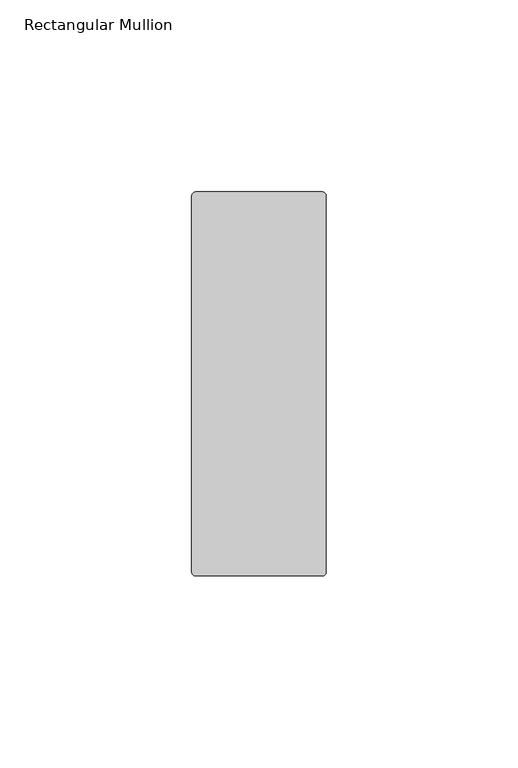
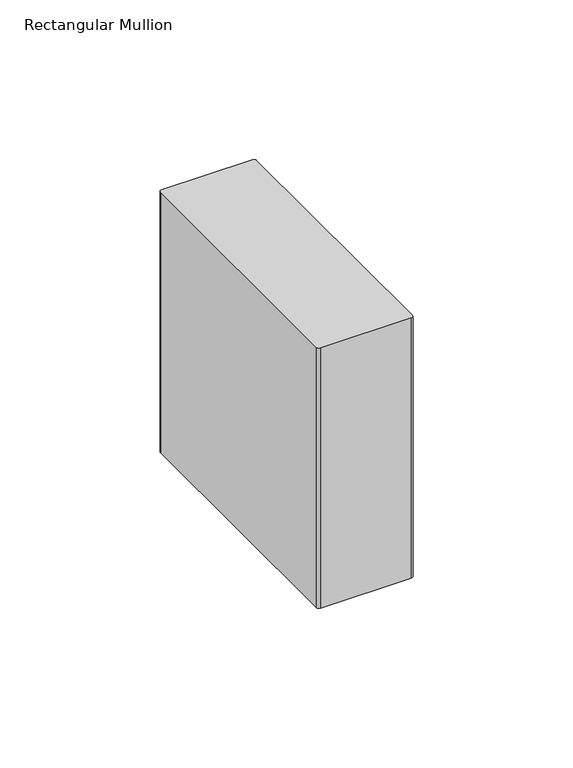
"""IFC4 building model written with IfcOpenShell, lengths in millimetres: member geometry, Rectangular Mullion."""

from ifc_helpers import new_model, si_unit, point, frame, frame_2d, origin, place, context, project, spatial, polyline, circle_curve, trimmed, segment, composite_curve, outline, extrude, source, transform, mapped, element, save


def rectangular_mullion_374f8f3a(model_context):
    return source(origin(), model_context, "Body", "SweptSolid", [
        extrude(outline(composite_curve([segment(trimmed(circle_curve(frame_2d((-1.0, -7.75)), 1.0), [point((-1.0, -6.75))], [point((0.0, -7.75))], False, "CARTESIAN"), True, "CONTINUOUS"), segment(polyline([(0.0, -7.75), (0.0, -105.75)]), True, "CONTINUOUS"), segment(trimmed(circle_curve(frame_2d((-1.0, -105.75)), 1.0), [point((0.0, -105.75))], [point((-1.0, -106.75))], False, "CARTESIAN"), True, "CONTINUOUS"), segment(polyline([(-1.0, -106.75), (-34.0, -106.75)]), True, "CONTINUOUS"), segment(trimmed(circle_curve(frame_2d((-34.0, -105.75)), 1.0), [point((-34.0, -106.75))], [point((-35.0, -105.75))], False, "CARTESIAN"), True, "CONTINUOUS"), segment(polyline([(-35.0, -105.75), (-35.0, -7.75)]), True, "CONTINUOUS"), segment(trimmed(circle_curve(frame_2d((-34.0, -7.75)), 1.0), [point((-35.0, -7.75))], [point((-34.0, -6.75))], False, "CARTESIAN"), True, "CONTINUOUS"), segment(polyline([(-34.0, -6.75), (-1.0, -6.75)]), True, "CONTINUOUS")], self_intersect=False)), frame((0.0, 0.0, -100.0), z_axis=(0.0, 0.0, 1.0), x_axis=(1.0, 0.0, 0.0)), (0.0, 0.0, 1.0), 100.0),
    ])


if __name__ == "__main__":
    model = new_model("IFC4")
    model_context = context("Model", 3, world=origin())
    ifc_project = project(units=[si_unit("LENGTHUNIT", "METRE", prefix="MILLI")], contexts=[model_context])
    site = spatial("IfcSite", under=ifc_project)
    building = spatial("IfcBuilding", under=site)
    placement = place(None, origin())
    rectangular_mullion_shape = rectangular_mullion_374f8f3a(model_context)
    element("IfcMember", 1, ObjectType="Rectangular Mullion", at=placement, inside=building, context=model_context, shape_type="MappedRepresentation", body=[
        mapped(rectangular_mullion_shape, transform((0.0, 0.0, 0.0), x_axis=(1.0, 0.0, 0.0), y_axis=(0.0, 1.0, 0.0), z_axis=(0.0, 0.0, 1.0))),
    ])
    save(model, "model.ifc")
